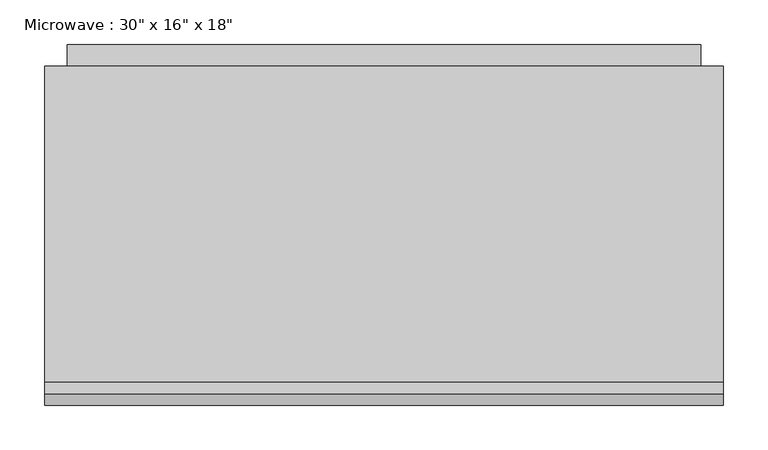
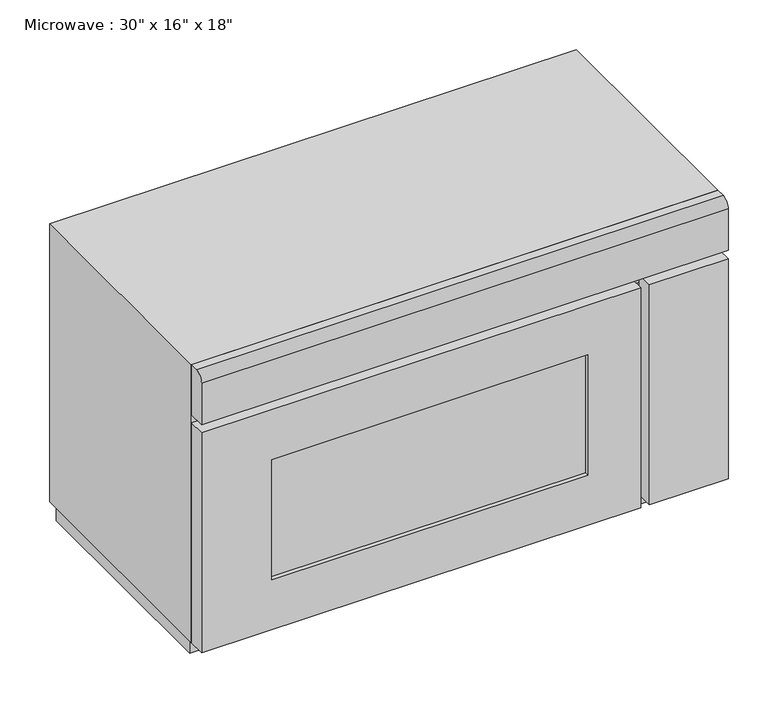
"""IFC4 building model written with IfcOpenShell, lengths in millimetres: proxy geometry."""

from ifc_helpers import new_model, si_unit, point, frame, frame_2d, origin, place, context, project, spatial, polyline, circle_curve, trimmed, segment, composite_curve, outline, extrude, faceted_brep, source, transform, mapped, element, save


def proxy_8a8d5ab2(model_context):
    return source(origin(), model_context, "Body", "SolidModel", [
        extrude(outline(polyline([(678.4897523, -549.9305058), (220.8928773, -549.9305058), (220.8928773, -543.5805058), (678.4897523, -543.5805058), (678.4897523, -549.9305058)])), frame((0.0, 0.0, 1022.35), z_axis=(0.0, 0.0, 1.0), x_axis=(1.0, 0.0, 0.0)), (0.0, 0.0, 1.0), 184.15),
        extrude(outline(polyline([(1282.7, 754.6897523), (1282.7, 119.2928773), (946.15, 119.2928773), (946.15, 754.6897523), (1282.7, 754.6897523)]), holes=[polyline([(1206.5, 678.4897523), (1022.35, 678.4897523), (1022.35, 220.8928773), (1206.5, 220.8928773), (1206.5, 678.4897523)])]), frame((0.0, -556.2805058, 0.0), z_axis=(0.0, 1.0, 0.0), x_axis=(0.0, 0.0, 1.0)), (0.0, 0.0, 1.0), 25.4),
        extrude(outline(polyline([(881.2928773, -556.2805058), (767.3897523, -556.2805058), (767.3897523, -530.8805058), (881.2928773, -530.8805058), (881.2928773, -556.2805058)])), frame((0.0, 0.0, 946.15), z_axis=(0.0, 0.0, 1.0), x_axis=(1.0, 0.0, 0.0)), (0.0, 0.0, 1.0), 336.55),
        extrude(outline(composite_curve([segment(polyline([(-543.5805058, 1371.6), (-530.8805058, 1371.6), (-530.8805058, 1295.4), (-556.2805058, 1295.4), (-556.2805058, 1358.9)]), True, "CONTINUOUS"), segment(trimmed(circle_curve(frame_2d((-543.5805058, 1358.9)), 12.7), [point((-556.2805058, 1358.9))], [point((-543.5805058, 1371.6))], False, "CARTESIAN"), True, "CONTINUOUS")], self_intersect=False)), frame((119.2928773, 0.0, 0.0), z_axis=(1.0, 0.0, 0.0), x_axis=(0.0, 1.0, 0.0)), (0.0, 0.0, 1.0), 762.0),
        extrude(outline(polyline([(-151.0441495, 1346.2), (-151.0441495, 961.946551), (-176.4441495, 936.546551), (-176.4441495, 1346.2), (-151.0441495, 1346.2)])), frame((144.6928773, 0.0, 0.0), z_axis=(1.0, 0.0, 0.0), x_axis=(0.0, 1.0, 0.0)), (0.0, 0.0, 1.0), 711.2),
        faceted_brep([(881.2928773, -175.2805058, 1371.6), (119.2928773, -175.2805058, 1371.6), (119.2928773, -530.8805058, 1371.6), (881.2928773, -530.8805058, 1371.6), (881.2928773, -175.2805058, 946.15), (881.2928773, -530.8805058, 946.15), (119.2928773, -530.8805058, 946.15), (119.2928773, -175.2805058, 946.15), (824.5397523, -530.8805058, 1271.0014904), (824.5397523, -530.8805058, 1020.1764904), (176.0460023, -530.8805058, 1020.1764904), (176.0460023, -530.8805058, 1271.0014904), (824.5397523, -200.6805058, 1271.0014904), (176.0460023, -200.6805058, 1271.0014904), (176.0460023, -200.6805058, 1020.1764904), (824.5397523, -200.6805058, 1020.1764904)], [[[0, 1, 2, 3]], [[4, 5, 6, 7]], [[1, 0, 4, 7]], [[2, 1, 7, 6]], [[3, 2, 6, 5], [8, 9, 10, 11]], [[0, 3, 5, 4]], [[12, 13, 14, 15]], [[12, 15, 9, 8]], [[15, 14, 10, 9]], [[14, 13, 11, 10]], [[13, 12, 8, 11]]]),
        extrude(outline(polyline([(871.7678773, -175.2805058), (871.7678773, -510.2430058), (128.8178773, -510.2430058), (128.8178773, -175.2805058), (871.7678773, -175.2805058)])), frame((0.0, 0.0, 914.4), z_axis=(0.0, 0.0, 1.0), x_axis=(1.0, 0.0, 0.0)), (0.0, 0.0, 1.0), 31.75),
    ])


if __name__ == "__main__":
    model = new_model("IFC4")
    model_context = context("Model", 3, world=origin())
    ifc_project = project(units=[si_unit("LENGTHUNIT", "METRE", prefix="MILLI")], contexts=[model_context])
    site = spatial("IfcSite", under=ifc_project)
    building = spatial("IfcBuilding", under=site)
    placement = place(None, origin())
    proxy_shape = proxy_8a8d5ab2(model_context)
    element("IfcBuildingElementProxy", 1, Name="Microwave : 30\" x 16\" x 18\"", ObjectType="Microwave : 30\" x 16\" x 18\"", at=placement, inside=building, context=model_context, shape_type="MappedRepresentation", body=[
        mapped(proxy_shape, transform((0.0, 0.0, 0.0), x_axis=(1.0, 0.0, 0.0), y_axis=(0.0, 1.0, 0.0), z_axis=(0.0, 0.0, 1.0))),
    ])
    save(model, "model.ifc")
